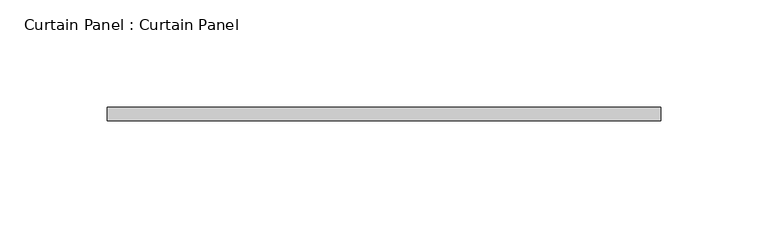
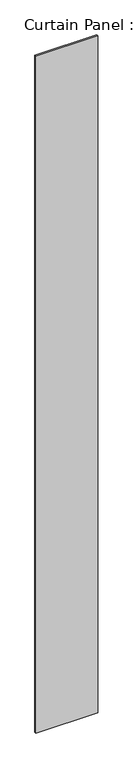
"""IFC4 building model written with IfcOpenShell, lengths in millimetres: plate geometry, Curtain Panel : Curtain Panel."""

from ifc_helpers import new_model, si_unit, origin, origin_with_axes, place, context, project, spatial, polyline, outline, extrude, source, transform, mapped, element, save


def curtain_panel_curtain_panel_0ef2eaa8(model_context):
    return source(origin(), model_context, "Body", "SweptSolid", [
        extrude(outline(polyline([(334486.2882494, 1445.5039638), (334745.0507494, 1445.5039638), (334745.0507494, 1439.1539638), (334486.2882494, 1439.1539638), (334486.2882494, 1445.5039638)])), origin_with_axes(), (0.0, 0.0, 1.0), 2987.3304783),
    ])


if __name__ == "__main__":
    model = new_model("IFC4")
    model_context = context("Model", 3, world=origin())
    ifc_project = project(units=[si_unit("LENGTHUNIT", "METRE", prefix="MILLI")], contexts=[model_context])
    site = spatial("IfcSite", under=ifc_project)
    building = spatial("IfcBuilding", under=site)
    placement = place(None, origin())
    curtain_panel_curtain_panel_shape = curtain_panel_curtain_panel_0ef2eaa8(model_context)
    element("IfcPlate", 1, ObjectType="Curtain Panel : Curtain Panel", at=placement, inside=building, context=model_context, shape_type="MappedRepresentation", body=[
        mapped(curtain_panel_curtain_panel_shape, transform((0.0, 0.0, 0.0), x_axis=(1.0, 0.0, 0.0), y_axis=(0.0, 1.0, 0.0), z_axis=(0.0, 0.0, 1.0))),
    ])
    save(model, "model.ifc")
